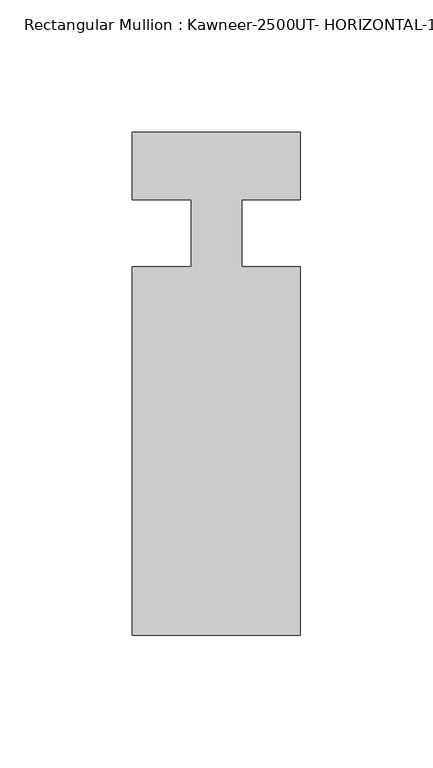
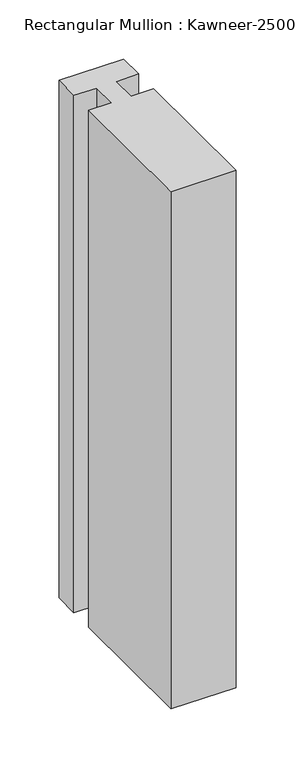
"""IFC4 building model written with IfcOpenShell, lengths in millimetres: member geometry, Rectangular Mullion : Kawneer-2500UT- HORIZONTAL-1 INCH INFILL-MODEL."""

from ifc_helpers import new_model, si_unit, point, frame, frame_2d, origin, place, context, project, spatial, polyline, circle_curve, trimmed, segment, composite_curve, outline, extrude, source, transform, mapped, element, save


def rectangular_mullion_kawneer_2500ut_horizontal_1_inch_infill_9da22bf1(model_context):
    return source(origin(), model_context, "Body", "SweptSolid", [
        extrude(outline(composite_curve([segment(polyline([(63.515875, -25.415875), (63.515875, -164.607875), (0.015875, -164.607875), (0.015875, -25.415875), (22.2407618, -25.415875), (22.2407618, -0.3335033)]), True, "CONTINUOUS"), segment(trimmed(circle_curve(frame_2d((4.3166268, -461.0236947)), 461.0387479), [point((22.2407618, -0.3335033))], [point((0.015875, -0.0050068))], True, "CARTESIAN"), True, "CONTINUOUS"), segment(polyline([(0.015875, -0.0050068), (0.015875, 25.4), (63.515875, 25.4), (63.515875, -0.0050068)]), True, "CONTINUOUS"), segment(trimmed(circle_curve(frame_2d((59.2151232, -461.0236947)), 461.0387479), [point((63.515875, -0.0050068))], [point((41.290875, -0.3335077))], True, "CARTESIAN"), True, "CONTINUOUS"), segment(polyline([(41.290875, -0.3335077), (41.290875, -25.415875), (63.515875, -25.415875)]), True, "CONTINUOUS")], self_intersect=False)), frame((0.0, 0.0, -534.9916376), z_axis=(0.0, 0.0, 1.0), x_axis=(1.0, 0.0, 0.0)), (0.0, 0.0, 1.0), 534.9916376),
    ])


if __name__ == "__main__":
    model = new_model("IFC4")
    model_context = context("Model", 3, world=origin())
    ifc_project = project(units=[si_unit("LENGTHUNIT", "METRE", prefix="MILLI")], contexts=[model_context])
    site = spatial("IfcSite", under=ifc_project)
    building = spatial("IfcBuilding", under=site)
    placement = place(None, origin())
    rectangular_mullion_kawneer_2500ut_horizontal_1_inch_infill_shape = rectangular_mullion_kawneer_2500ut_horizontal_1_inch_infill_9da22bf1(model_context)
    element("IfcMember", 1, ObjectType="Rectangular Mullion : Kawneer-2500UT- HORIZONTAL-1 INCH INFILL-MODEL", at=placement, inside=building, context=model_context, shape_type="MappedRepresentation", body=[
        mapped(rectangular_mullion_kawneer_2500ut_horizontal_1_inch_infill_shape, transform((0.0, 0.0, 0.0), x_axis=(1.0, 0.0, 0.0), y_axis=(0.0, 1.0, 0.0), z_axis=(0.0, 0.0, 1.0))),
    ])
    save(model, "model.ifc")
